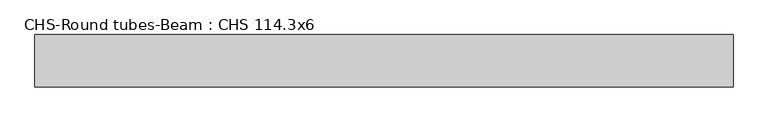
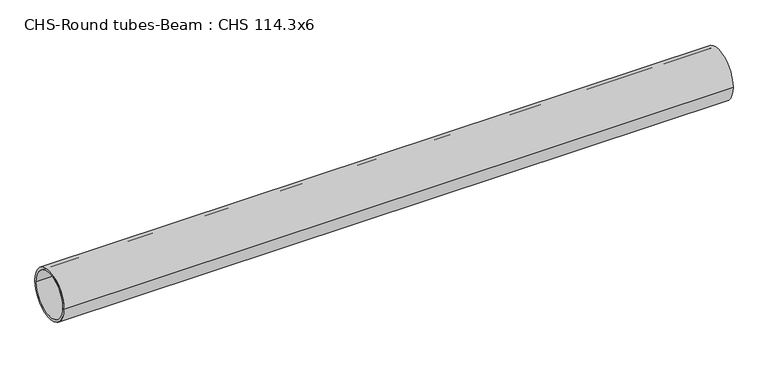
"""IFC4 building model written with IfcOpenShell, lengths in millimetres: beam geometry, CHS-Round tubes-Beam : CHS 114.3x6."""

from ifc_helpers import new_model, si_unit, point, frame, origin, origin_2d, place, context, project, spatial, circle_curve, trimmed, segment, composite_curve, outline, extrude, source, transform, mapped, element, save


def chs_round_tubes_beam_chs_114_3x6_444cbe48(model_context):
    return source(origin(), model_context, "Body", "SweptSolid", [
        extrude(outline(composite_curve([segment(trimmed(circle_curve(origin_2d(), 57.15), [point((57.15, 0.0))], [point((-57.15, 0.0))], False, "CARTESIAN"), True, "CONTINUOUS"), segment(trimmed(circle_curve(origin_2d(), 57.15), [point((-57.15, 0.0))], [point((57.15, 0.0))], False, "CARTESIAN"), True, "CONTINUOUS")], self_intersect=False), holes=[composite_curve([segment(trimmed(circle_curve(origin_2d(), 51.15), [point((51.15, 0.0))], [point((-51.15, 0.0))], True, "CARTESIAN"), True, "CONTINUOUS"), segment(trimmed(circle_curve(origin_2d(), 51.15), [point((-51.15, 0.0))], [point((51.15, 0.0))], True, "CARTESIAN"), True, "CONTINUOUS")], self_intersect=False)]), frame((-750.6221221, 0.0, 0.0), z_axis=(1.0, 0.0, 0.0), x_axis=(0.0, 1.0, 0.0)), (0.0, 0.0, 1.0), 1522.9213419),
    ])


if __name__ == "__main__":
    model = new_model("IFC4")
    model_context = context("Model", 3, world=origin())
    ifc_project = project(units=[si_unit("LENGTHUNIT", "METRE", prefix="MILLI")], contexts=[model_context])
    site = spatial("IfcSite", under=ifc_project)
    building = spatial("IfcBuilding", under=site)
    placement = place(None, origin())
    chs_round_tubes_beam_chs_114_3x6_shape = chs_round_tubes_beam_chs_114_3x6_444cbe48(model_context)
    element("IfcBeam", 1, ObjectType="CHS-Round tubes-Beam : CHS 114.3x6", at=placement, inside=building, context=model_context, shape_type="MappedRepresentation", body=[
        mapped(chs_round_tubes_beam_chs_114_3x6_shape, transform((0.0, 0.0, 0.0), x_axis=(1.0, 0.0, 0.0), y_axis=(0.0, 1.0, 0.0), z_axis=(0.0, 0.0, 1.0))),
    ])
    save(model, "model.ifc")
